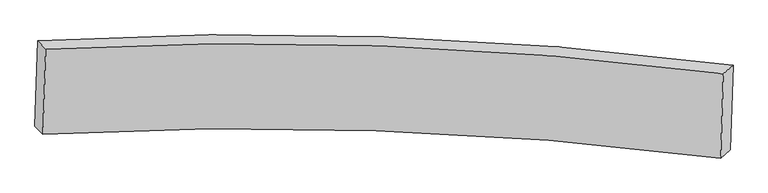
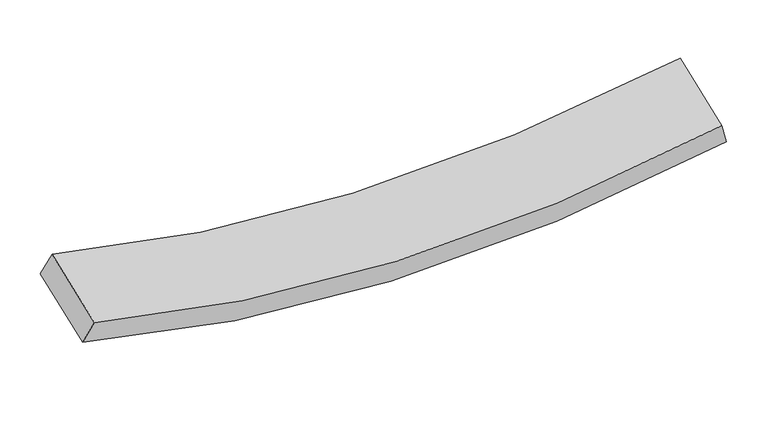
"""IFC4 building model written with IfcOpenShell, lengths in millimetres: proxy geometry."""

from ifc_helpers import new_model, si_unit, frame, origin, place, context, project, spatial, source, transform, mapped, element, save
from ifc_brep_helpers import plane_surface, spline_curve, spline_surface, advanced_brep


def generic_models_d930ce38(model_context):
    return source(origin(), model_context, "Body", "AdvancedBrep", [
        advanced_brep(
        [(2372.3500024, -960.2965886, 1638.8873042), (2354.5757469, -1531.0303626, 1457.2724949), (-2356.207762, -1370.961003, 1428.5260721), (-2338.234184, -793.8269592, 1612.1775293), (2288.5318622, -1587.7227715, 1641.8948476), (-2301.5003745, -1426.6277508, 1598.1075623), (2306.3061177, -1016.9889975, 1823.5096569), (-2283.5267966, -849.493707, 1781.7590195)],
        [
            (0, 1),
            (1, 2, spline_curve(3, [(2354.5757469, -1531.0303626, 1457.2724949), (1558.085173175, -1431.386720636, 1208.114355534), (759.948961296, -1368.651290181, 1083.36511657), (-810.430117852, -1317.939305591, 1082.696858239), (-1582.555075863, -1327.31828308, 1197.863956349), (-2356.207762, -1370.961003, 1428.5260721)], [4, 2, 4], [0.0, 7.992706557997122, 15.693753453883236])),
            (2, 3),
            (3, 0, spline_curve(3, [(-2338.234184, -793.8269592, 1612.1775293), (-1564.565454272, -749.669077492, 1381.679344451), (-792.44832416, -740.541448112, 1266.43226429), (777.866156884, -793.327696498, 1266.440465322), (1575.943755459, -857.945202552, 1390.590803912), (2372.3500024, -960.2965886, 1638.8873042)], [4, 2, 4], [0.0, 7.701046895886114, 15.693753453883236])),
            (1, 4),
            (4, 5, spline_curve(3, [(2288.5318622, -1587.7227715, 1641.8948476), (1513.245295943, -1490.72490939, 1398.976014851), (735.954153211, -1429.199105245, 1275.988026232), (-794.200220305, -1378.042333843, 1269.985294787), (-1546.919822897, -1385.869797654, 1378.377521615), (-2301.5003745, -1426.6277508, 1598.1075623)], [4, 2, 4], [0.0, 7.889293687793732, 15.49070132415046])),
            (5, 2),
            (4, 6),
            (6, 7, spline_curve(3, [(2306.3061177, -1016.9889975, 1823.5096569), (1531.103878385, -917.283391215, 1581.452463047), (753.871348462, -853.875511968, 1459.063374846), (-776.218426288, -800.644475971, 1453.720700971), (-1528.930201198, -808.220591878, 1562.192909825), (-2283.5267966, -849.493707, 1781.7590195)], [4, 2, 4], [0.0, 7.785899005824793, 15.287684907184715])),
            (7, 5),
            (6, 0),
            (3, 7),
        ],
        [
            spline_surface(3, 3, [[(2372.3500024, -960.2965886, 1638.8873042), (1575.943755446, -857.945202551, 1390.590803791), (777.866156837, -793.327696579, 1266.440465252), (-792.448324115, -740.541448033, 1266.432264357), (-1564.565454285, -749.66907753, 1381.679344546), (-2338.234184, -793.8269592, 1612.1775293)], [(2366.425250567, -1150.54117993, 1578.349034458), (1569.990894689, -1049.092375248, 1329.765321078), (771.893758373, -985.102227732, 1205.41534903), (-798.442255387, -933.007400589, 1205.187128974), (-1570.561994784, -942.218812723, 1320.407548452), (-2344.225376637, -986.204973805, 1550.960376901)], [(2360.500498733, -1340.78577127, 1517.810764642), (1564.038033933, -1240.239547956, 1268.939838291), (765.921359876, -1176.876758899, 1144.390232816), (-804.436186692, -1125.47335316, 1143.941993599), (-1576.558535373, -1134.7685479, 1259.135752357), (-2350.216569363, -1178.582988395, 1489.743224499)], [(2354.5757469, -1531.0303626, 1457.2724949), (1558.085173176, -1431.386720653, 1208.114355578), (759.948961412, -1368.651290052, 1083.365116594), (-810.430117964, -1317.939305716, 1082.696858215), (-1582.555075872, -1327.318283093, 1197.863956263), (-2356.207762, -1370.961003, 1428.5260721)]], [4, 4], [4, 2, 4], [0.0, 1.9851152193896553], [0.0, 7.992706557997122, 15.693753453883236]),
            spline_surface(3, 3, [[(2354.5757469, -1531.0303626, 1457.2724949), (1558.085173176, -1431.386720653, 1208.114355578), (759.948961412, -1368.651290052, 1083.365116594), (-810.430117964, -1317.939305716, 1082.696858215), (-1582.555075872, -1327.318283093, 1197.863956263), (-2356.207762, -1370.961003, 1428.5260721)], [(2332.561118679, -1549.927832232, 1518.813279135), (1543.138547471, -1451.166116892, 1271.734908636), (751.950691953, -1388.833895147, 1147.572753129), (-805.020152054, -1337.973648401, 1145.126337078), (-1570.676658199, -1346.835454578, 1258.035144702), (-2337.971966194, -1389.516585605, 1485.05323549)], [(2310.546490421, -1568.825301868, 1580.354063365), (1528.19192173, -1470.945513136, 1335.35546169), (743.952422545, -1409.016500233, 1211.780389671), (-799.610186094, -1358.007991077, 1207.555815949), (-1558.798240444, -1366.352626048, 1318.206333171), (-2319.736170306, -1408.072168195, 1541.58039891)], [(2288.5318622, -1587.7227715, 1641.8948476), (1513.245296026, -1490.724909374, 1398.976014749), (735.954153086, -1429.199105329, 1275.988026206), (-794.200220185, -1378.042333762, 1269.985294812), (-1546.919822771, -1385.869797534, 1378.377521609), (-2301.5003745, -1426.6277508, 1598.1075623)]], [4, 4], [4, 2, 4], [0.0, 0.654365573527322], [0.0, 7.889293687793732, 15.49070132415046]),
            spline_surface(3, 3, [[(2288.5318622, -1587.7227715, 1641.8948476), (1513.245296026, -1490.724909374, 1398.976014749), (735.954153086, -1429.199105329, 1275.988026206), (-794.200220185, -1378.042333762, 1269.985294812), (-1546.919822771, -1385.869797534, 1378.377521609), (-2301.5003745, -1426.6277508, 1598.1075623)], [(2294.456614033, -1397.47818017, 1702.433117342), (1519.198156782, -1299.577736677, 1459.801497462), (741.92655155, -1237.424574177, 1337.013142428), (-788.206288913, -1185.576381206, 1331.230430195), (-1540.923282273, -1193.320062341, 1439.649317702), (-2295.509181863, -1234.249736195, 1659.324714699)], [(2300.381365867, -1207.23358883, 1762.971387158), (1525.151017539, -1108.430563969, 1520.626980248), (747.898950047, -1045.650043009, 1398.038258641), (-782.212357608, -993.110428635, 1392.47556557), (-1534.926741784, -1000.770327164, 1500.921113798), (-2289.517989237, -1041.871721605, 1720.541867101)], [(2306.3061177, -1016.9889975, 1823.5096569), (1531.103878295, -917.283391272, 1581.452462961), (753.871348512, -853.875511856, 1459.063374864), (-776.218426336, -800.644476079, 1453.720700954), (-1528.930201285, -808.220591971, 1562.192909891), (-2283.5267966, -849.493707, 1781.7590195)]], [4, 4], [4, 2, 4], [0.0, 1.9851152193896535], [0.0, 7.785899005824793, 15.287684907184715]),
            spline_surface(3, 3, [[(2306.3061177, -1016.9889975, 1823.5096569), (1531.103878295, -917.283391272, 1581.452462961), (753.871348512, -853.875511856, 1459.063374864), (-776.218426336, -800.644476079, 1453.720700954), (-1528.930201285, -808.220591971, 1562.192909891), (-2283.5267966, -849.493707, 1781.7590195)], [(2328.320745921, -998.091527868, 1761.968872665), (1546.050504, -897.503995033, 1517.831909903), (761.86961797, -833.692906761, 1394.855738329), (-781.628392245, -780.610133394, 1391.291222091), (-1540.808618957, -788.703420485, 1502.021721453), (-2301.762592406, -830.938124395, 1725.23185611)], [(2350.335374179, -979.194058232, 1700.428088435), (1560.997129741, -877.72459879, 1454.211356849), (769.867887378, -813.510301675, 1330.648101787), (-787.038358206, -760.575790718, 1328.86174322), (-1552.687036612, -769.186249016, 1441.850532984), (-2319.998388194, -812.382541805, 1668.70469269)], [(2372.3500024, -960.2965886, 1638.8873042), (1575.943755446, -857.945202551, 1390.590803791), (777.866156837, -793.327696579, 1266.440465252), (-792.448324115, -740.541448033, 1266.432264357), (-1564.565454285, -749.66907753, 1381.679344546), (-2338.234184, -793.8269592, 1612.1775293)]], [4, 4], [4, 2, 4], [0.0, 0.6543655735273225], [0.0, 7.889286300349599, 15.490686818835393]),
            plane_surface(frame((-2319.8672793, -1110.227355, 1605.1425458), z_axis=(-0.9556356934205891, -0.06187727359738475, 0.2879785139080767), x_axis=(-0.029663464585601894, -0.9524979030545321, -0.30309705301354867))),
            plane_surface(frame((2330.4409323, -1274.00968, 1640.3910759), z_axis=(0.9457395851445615, -0.1249039238096261, 0.29995940876650606), x_axis=(-0.3235687190681005, -0.2777530458765001, 0.9045200548063904))),
        ],
        [
            (0, [[1, 2, 3, 4]]),
            (1, [[5, 6, 7, -2]]),
            (2, [[8, 9, 10, -6]]),
            (3, [[11, -4, 12, -9]]),
            (4, [[-3, -7, -10, -12]]),
            (5, [[-11, -8, -5, -1]]),
        ],
    ),
    ])


if __name__ == "__main__":
    model = new_model("IFC4")
    model_context = context("Model", 3, world=origin())
    ifc_project = project(units=[si_unit("LENGTHUNIT", "METRE", prefix="MILLI")], contexts=[model_context])
    site = spatial("IfcSite", under=ifc_project)
    building = spatial("IfcBuilding", under=site)
    placement = place(None, origin())
    generic_models_shape = generic_models_d930ce38(model_context)
    element("IfcBuildingElementProxy", 1, Name="Generic Models", at=placement, inside=building, context=model_context, shape_type="MappedRepresentation", body=[
        mapped(generic_models_shape, transform((0.0, 0.0, 0.0), x_axis=(1.0, 0.0, 0.0), y_axis=(0.0, 1.0, 0.0), z_axis=(0.0, 0.0, 1.0))),
    ])
    save(model, "model.ifc")
